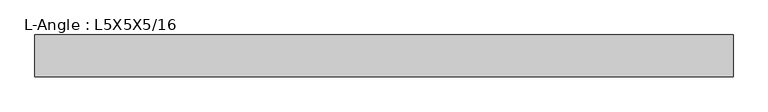
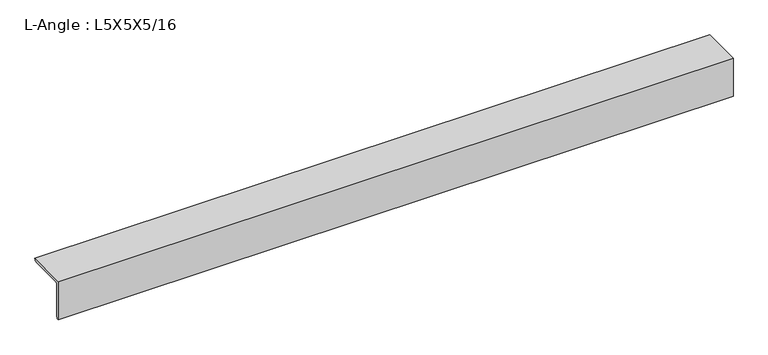
"""IFC4 building model written with IfcOpenShell, lengths in millimetres: beam geometry, L-Angle : L5X5X5/16."""

import ifcopenshell
import ifcopenshell.guid

model = None  # the IFC model being written
_history = None  # IfcOwnerHistory: only IFC2X3 demands one
_inside = {}  # id of a spatial element -> (the spatial element, [elements in it])
_under = {}  # id of a project, library or spatial element -> (it, [spatial elements below it])
_declared = {}  # id of a project -> (the project, [libraries it declares])
_typed = {}  # id of a type object -> (the type object, [elements of that type])
_made_of = {}  # id of a material, layer set ... -> (it, [elements and type objects made of it])


def new_model(schema):
    """Start an empty IFC model of exactly this schema.

    Asked for "IFC4X3", IfcOpenShell would pick the latest addendum, in which some entities
    have other attributes; the version numbers below select the first issue.
    IFC2X3 requires an IfcOwnerHistory on every rooted entity: one is made here for all.
    """
    global model, _history
    if schema == "IFC4X3":
        model = ifcopenshell.file(schema_version=(4, 3, 0, 0))
    else:
        model = ifcopenshell.file(schema=schema)
    _inside.clear()
    _under.clear()
    _declared.clear()
    _typed.clear()
    _made_of.clear()
    _history = None
    if model.schema == "IFC2X3":
        org = make("IfcOrganization", Name="unknown")
        user = make(
            "IfcPersonAndOrganization",
            ThePerson=make("IfcPerson", FamilyName="unknown"),
            TheOrganization=org,
        )
        app = make(
            "IfcApplication",
            ApplicationDeveloper=org,
            Version="unknown",
            ApplicationFullName="unknown",
            ApplicationIdentifier="unknown",
        )
        _history = make(
            "IfcOwnerHistory",
            OwningUser=user,
            OwningApplication=app,
            ChangeAction="ADDED",
            CreationDate=0,
        )
    return model


def make(cls, **values):
    """One entity of the class cls with the attributes given. An attribute that is None is left unset."""
    return model.create_entity(
        cls, **{name: value for name, value in values.items() if value is not None}
    )


def rooted(cls, **values):
    """An entity with a GlobalId (a new one), such as an element, a storey or a relation."""
    return make(cls, GlobalId=ifcopenshell.guid.new(), OwnerHistory=_history, **values)


def si_unit(unit_type, name, prefix=None):
    """IfcSIUnit, for example si_unit("LENGTHUNIT", "METRE", prefix="MILLI")."""
    return make("IfcSIUnit", UnitType=unit_type, Prefix=prefix, Name=name)


def assignment(units):
    """IfcUnitAssignment: the units of a project."""
    return None if units is None else make("IfcUnitAssignment", Units=units)


def point(xyz):
    """IfcCartesianPoint."""
    return None if xyz is None else make("IfcCartesianPoint", Coordinates=xyz)


def direction(xyz):
    """IfcDirection."""
    return None if xyz is None else make("IfcDirection", DirectionRatios=xyz)


def frame(location, z_axis=None, x_axis=None):
    """IfcAxis2Placement3D, a coordinate frame: its origin and axes. An axis left out is left unset."""
    return make(
        "IfcAxis2Placement3D",
        Location=point(location),
        Axis=direction(z_axis),
        RefDirection=direction(x_axis),
    )


def frame_2d(location, x_axis=None):
    """IfcAxis2Placement2D, a coordinate frame in the plane: its origin and x axis."""
    return make(
        "IfcAxis2Placement2D", Location=point(location), RefDirection=direction(x_axis)
    )


def origin():
    """The frame at (0, 0, 0) with its axes left unset."""
    return frame((0.0, 0.0, 0.0))


def place(relative_to, where):
    """IfcLocalPlacement: puts the frame where relative to a parent placement (None: the world)."""
    return make(
        "IfcLocalPlacement", PlacementRelTo=relative_to, RelativePlacement=where
    )


def context(
    kind, dimensions, precision=None, world=None, true_north=None, identifier=None
):
    """IfcGeometricRepresentationContext, for example the 3D "Model" context."""
    return make(
        "IfcGeometricRepresentationContext",
        ContextIdentifier=identifier,
        ContextType=kind,
        CoordinateSpaceDimension=dimensions,
        Precision=precision,
        WorldCoordinateSystem=world,
        TrueNorth=true_north,
    )


def project(units=None, contexts=None):
    """IfcProject with its units and contexts."""
    return rooted(
        "IfcProject",
        Name="project",
        RepresentationContexts=contexts,
        UnitsInContext=assignment(units),
    )


def spatial(cls, under=None, at=None, **own):
    """A site, building, storey or space (cls), placed at a placement, below another one or the project."""
    s = rooted(cls, ObjectPlacement=at, **own)
    if under is not None:
        _under.setdefault(under.id(), (under, []))[1].append(s)
    return s


def polyline(points):
    """IfcPolyline through the points."""
    return make("IfcPolyline", Points=[point(p) for p in points])


def circle_curve(where, radius):
    """IfcCircle in the frame where."""
    return make("IfcCircle", Position=where, Radius=radius)


def trimmed(basis, trim1, trim2, sense, master):
    """IfcTrimmedCurve: the piece of a basis curve between two trims."""
    return make(
        "IfcTrimmedCurve",
        BasisCurve=basis,
        Trim1=trim1,
        Trim2=trim2,
        SenseAgreement=sense,
        MasterRepresentation=master,
    )


def segment(curve, same_sense, transition):
    """IfcCompositeCurveSegment."""
    return make(
        "IfcCompositeCurveSegment",
        Transition=transition,
        SameSense=same_sense,
        ParentCurve=curve,
    )


def composite_curve(segments, self_intersect=None):
    """IfcCompositeCurve: segments joined end to end."""
    return make("IfcCompositeCurve", Segments=segments, SelfIntersect=self_intersect)


def outline(outer, holes=None, kind="AREA"):
    """IfcArbitraryClosedProfileDef: a profile drawn as a closed curve; with holes, ...WithVoids."""
    if holes is None:
        return make("IfcArbitraryClosedProfileDef", ProfileType=kind, OuterCurve=outer)
    return make(
        "IfcArbitraryProfileDefWithVoids",
        ProfileType=kind,
        OuterCurve=outer,
        InnerCurves=holes,
    )


def extrude(swept, where, along, depth):
    """IfcExtrudedAreaSolid: the profile swept, set in the frame where, extruded along a direction by depth."""
    return make(
        "IfcExtrudedAreaSolid",
        SweptArea=swept,
        Position=where,
        ExtrudedDirection=direction(along),
        Depth=depth,
    )


def shape(context_of_items, identifier, shape_type, items):
    """IfcShapeRepresentation: the items that make up one representation, for example the "Body"."""
    return make(
        "IfcShapeRepresentation",
        ContextOfItems=context_of_items,
        RepresentationIdentifier=identifier,
        RepresentationType=shape_type,
        Items=items,
    )


def source(mapping_origin, context_of_items, identifier, shape_type, items):
    """IfcRepresentationMap: a shape defined once, which mapped items show again and again."""
    return make(
        "IfcRepresentationMap",
        MappingOrigin=mapping_origin,
        MappedRepresentation=shape(context_of_items, identifier, shape_type, items),
    )


def transform(
    local_origin,
    x_axis=None,
    y_axis=None,
    z_axis=None,
    scale=None,
    scale2=None,
    scale3=None,
    uniform=True,
):
    """IfcCartesianTransformationOperator3D, or its non-uniform kind. x_axis, y_axis, z_axis: its Axis1, 2, 3."""
    if uniform:
        return make(
            "IfcCartesianTransformationOperator3D",
            Axis1=direction(x_axis),
            Axis2=direction(y_axis),
            LocalOrigin=point(local_origin),
            Scale=scale,
            Axis3=direction(z_axis),
        )
    return make(
        "IfcCartesianTransformationOperator3DnonUniform",
        Axis1=direction(x_axis),
        Axis2=direction(y_axis),
        LocalOrigin=point(local_origin),
        Scale=scale,
        Axis3=direction(z_axis),
        Scale2=scale2,
        Scale3=scale3,
    )


def mapped(mapping_source, mapping_target):
    """IfcMappedItem: shows the shape of a source again, moved by a transform."""
    return make(
        "IfcMappedItem", MappingSource=mapping_source, MappingTarget=mapping_target
    )


def made_of(thing, what):
    """Note that an element or type object is made of a material, layer set ...; save() writes the relation."""
    if what is not None:
        _made_of.setdefault(what.id(), (what, []))[1].append(thing)
    return thing


def element(
    cls,
    number,
    at=None,
    inside=None,
    cuts=None,
    type_object=None,
    material=None,
    context=None,
    identifier="Body",
    shape_type=None,
    held_by="IfcProductDefinitionShape",
    body=None,
    shapes=None,
    **own,
):
    """One element of the class cls, such as IfcWall. Its Tag is "e" and its number.

    at: its placement. inside: the storey or other place that contains it. cuts: it is an
    opening in that element (IfcRelVoidsElement). A single representation is given by context,
    identifier, shape_type and body (its items); several are given by shapes. held_by: the class
    of the entity that holds the representations. save() writes the other relations.
    """
    e = rooted(cls, Tag="e%d" % number, ObjectPlacement=at, **own)
    if body is not None:
        shapes = [shape(context, identifier, shape_type, body)]
    if shapes is not None:
        e.Representation = make(held_by, Representations=shapes)
    if inside is not None:
        _inside.setdefault(inside.id(), (inside, []))[1].append(e)
    if cuts is not None:
        rooted(
            "IfcRelVoidsElement", RelatingBuildingElement=cuts, RelatedOpeningElement=e
        )
    if type_object is not None:
        _typed.setdefault(type_object.id(), (type_object, []))[1].append(e)
    return made_of(e, material)


def aggregate(whole, parts):
    """IfcRelAggregates: a whole, such as a stair, and the parts it consists of."""
    return rooted("IfcRelAggregates", RelatingObject=whole, RelatedObjects=parts)


def save(model, path):
    """Write the relations noted so far, then the file.

    IfcRelAggregates (storeys below a building ...), IfcRelContainedInSpatialStructure (elements
    in a storey), IfcRelDefinesByType, IfcRelAssociatesMaterial and IfcRelDeclares: one each for
    every whole, place, type object, material and project.
    """
    for whole, parts in _under.values():
        aggregate(whole, parts)
    for where, things in _inside.values():
        rooted(
            "IfcRelContainedInSpatialStructure",
            RelatedElements=things,
            RelatingStructure=where,
        )
    for kind, things in _typed.values():
        rooted("IfcRelDefinesByType", RelatedObjects=things, RelatingType=kind)
    for what, things in _made_of.values():
        rooted("IfcRelAssociatesMaterial", RelatedObjects=things, RelatingMaterial=what)
    for by, libraries in _declared.values():
        rooted("IfcRelDeclares", RelatingContext=by, RelatedDefinitions=libraries)
    model.write(path)


def l_angle_l5x5x5_16_db6d1850(model_context):
    return source(origin(), model_context, "Body", "SweptSolid", [
        extrude(outline(composite_curve([segment(polyline([(-34.3296875, 34.3296875), (92.6703125, 34.3296875)]), True, "CONTINUOUS"), segment(trimmed(circle_curve(frame_2d((84.7328125, 34.3296875)), 7.9375), [point((92.6703125, 34.3296875))], [point((84.7328125, 26.3921875))], False, "CARTESIAN"), True, "CONTINUOUS"), segment(polyline([(84.7328125, 26.3921875), (-18.4546875, 26.3921875)]), True, "CONTINUOUS"), segment(trimmed(circle_curve(frame_2d((-18.4546875, 18.4546875)), 7.9375), [point((-18.4546875, 26.3921875))], [point((-26.3921875, 18.4546875))], True, "CARTESIAN"), True, "CONTINUOUS"), segment(polyline([(-26.3921875, 18.4546875), (-26.3921875, -84.7328125)]), True, "CONTINUOUS"), segment(trimmed(circle_curve(frame_2d((-34.3296875, -84.7328125)), 7.9375), [point((-26.3921875, -84.7328125))], [point((-34.3296875, -92.6703125))], False, "CARTESIAN"), True, "CONTINUOUS"), segment(polyline([(-34.3296875, -92.6703125), (-34.3296875, 34.3296875)]), True, "CONTINUOUS")], self_intersect=False)), frame((-1066.8, 0.0, 0.0), z_axis=(1.0, 0.0, 0.0), x_axis=(0.0, 1.0, 0.0)), (0.0, 0.0, 1.0), 2120.8999994),
    ])


if __name__ == "__main__":
    model = new_model("IFC4")
    model_context = context("Model", 3, world=origin())
    ifc_project = project(units=[si_unit("LENGTHUNIT", "METRE", prefix="MILLI")], contexts=[model_context])
    site = spatial("IfcSite", under=ifc_project)
    building = spatial("IfcBuilding", under=site)
    placement = place(None, origin())
    l_angle_l5x5x5_16_shape = l_angle_l5x5x5_16_db6d1850(model_context)
    element("IfcBeam", 1, ObjectType="L-Angle : L5X5X5/16", at=placement, inside=building, context=model_context, shape_type="MappedRepresentation", body=[
        mapped(l_angle_l5x5x5_16_shape, transform((0.0, 0.0, 0.0), x_axis=(1.0, 0.0, 0.0), y_axis=(0.0, 1.0, 0.0), z_axis=(0.0, 0.0, 1.0))),
    ])
    save(model, "model.ifc")
